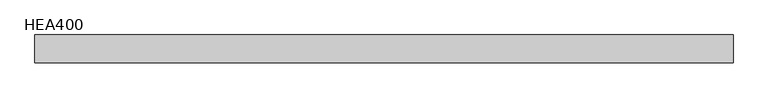
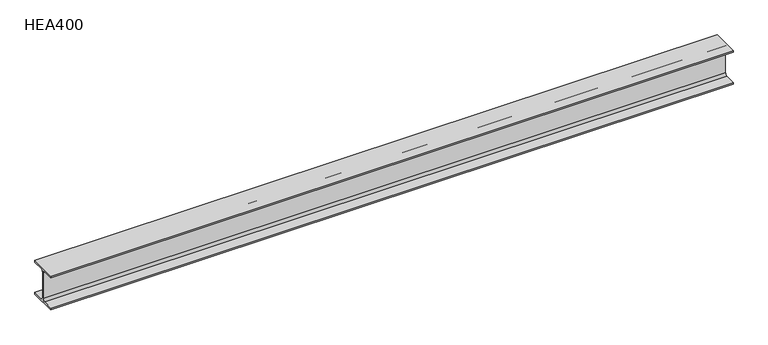
"""IFC4 building model written with IfcOpenShell, lengths in millimetres: beam geometry, HEA400."""

from ifc_helpers import new_model, si_unit, point, frame, frame_2d, origin, place, context, project, spatial, polyline, circle_curve, trimmed, segment, composite_curve, outline, extrude, source, transform, mapped, element, save


def hea400_fb95abcd(model_context):
    return source(origin(), model_context, "Body", "SweptSolid", [
        extrude(outline(composite_curve([segment(polyline([(150.0, -176.0), (150.0, -195.0), (-150.0, -195.0), (-150.0, -176.0), (-32.5, -176.0)]), True, "CONTINUOUS"), segment(trimmed(circle_curve(frame_2d((-32.5, -149.0)), 27.0), [point((-32.5, -176.0))], [point((-5.5, -149.0))], True, "CARTESIAN"), True, "CONTINUOUS"), segment(polyline([(-5.5, -149.0), (-5.5, 149.0)]), True, "CONTINUOUS"), segment(trimmed(circle_curve(frame_2d((-32.5, 149.0)), 27.0), [point((-5.5, 149.0))], [point((-32.5, 176.0))], True, "CARTESIAN"), True, "CONTINUOUS"), segment(polyline([(-32.5, 176.0), (-150.0, 176.0), (-150.0, 195.0), (150.0, 195.0), (150.0, 176.0), (32.5, 176.0)]), True, "CONTINUOUS"), segment(trimmed(circle_curve(frame_2d((32.5, 149.0)), 27.0), [point((32.5, 176.0))], [point((5.5, 149.0))], True, "CARTESIAN"), True, "CONTINUOUS"), segment(polyline([(5.5, 149.0), (5.5, -149.0)]), True, "CONTINUOUS"), segment(trimmed(circle_curve(frame_2d((32.5, -149.0)), 27.0), [point((5.5, -149.0))], [point((32.5, -176.0))], True, "CARTESIAN"), True, "CONTINUOUS"), segment(polyline([(32.5, -176.0), (150.0, -176.0)]), True, "CONTINUOUS")], self_intersect=False)), frame((-3742.3, 0.0, 0.0), z_axis=(1.0, 0.0, 0.0), x_axis=(0.0, 1.0, 0.0)), (0.0, 0.0, 1.0), 7484.6),
    ])


if __name__ == "__main__":
    model = new_model("IFC4")
    model_context = context("Model", 3, world=origin())
    ifc_project = project(units=[si_unit("LENGTHUNIT", "METRE", prefix="MILLI")], contexts=[model_context])
    site = spatial("IfcSite", under=ifc_project)
    building = spatial("IfcBuilding", under=site)
    placement = place(None, origin())
    hea400_shape = hea400_fb95abcd(model_context)
    element("IfcBeam", 1, ObjectType="HEA400", at=placement, inside=building, context=model_context, shape_type="MappedRepresentation", body=[
        mapped(hea400_shape, transform((0.0, 0.0, 0.0), x_axis=(1.0, 0.0, 0.0), y_axis=(0.0, 1.0, 0.0), z_axis=(0.0, 0.0, 1.0))),
    ])
    save(model, "model.ifc")
